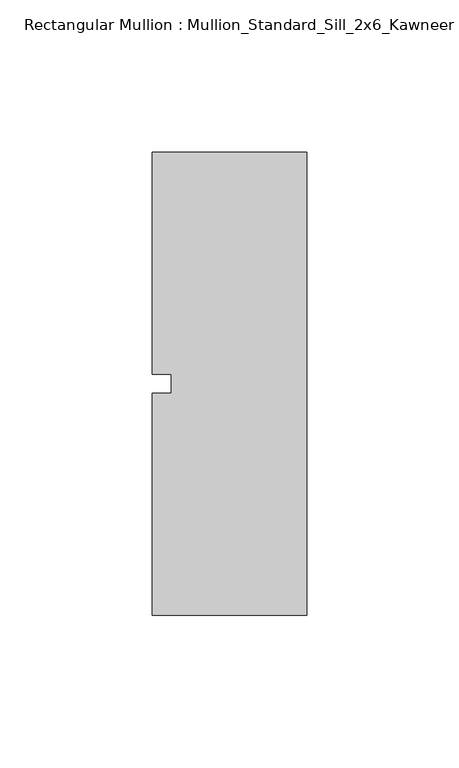
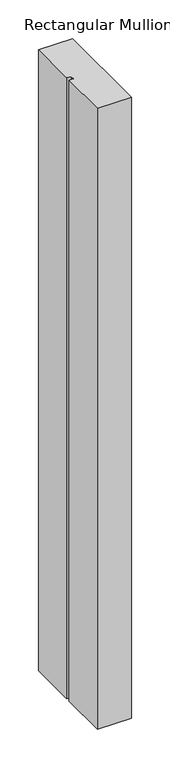
"""IFC4 building model written with IfcOpenShell, lengths in millimetres: member geometry, Rectangular Mullion : Mullion_Standard_Sill_2x6_Kawneer."""

from ifc_helpers import new_model, si_unit, frame, origin, place, context, project, spatial, polyline, outline, extrude, source, transform, mapped, element, save


def rectangular_mullion_mullion_standard_sill_2x6_kawneer_09c3f3be(model_context):
    return source(origin(), model_context, "Body", "SweptSolid", [
        extrude(outline(polyline([(-50.8, -76.2), (-50.8, -3.175), (-44.45, -3.175), (-44.45, 3.175), (-50.8, 3.175), (-50.8, 76.2), (0.0, 76.2), (0.0, -76.2), (-50.8, -76.2)])), frame((0.0, 0.0, -980.44), z_axis=(0.0, 0.0, 1.0), x_axis=(1.0, 0.0, 0.0)), (0.0, 0.0, 1.0), 980.44),
    ])


if __name__ == "__main__":
    model = new_model("IFC4")
    model_context = context("Model", 3, world=origin())
    ifc_project = project(units=[si_unit("LENGTHUNIT", "METRE", prefix="MILLI")], contexts=[model_context])
    site = spatial("IfcSite", under=ifc_project)
    building = spatial("IfcBuilding", under=site)
    placement = place(None, origin())
    rectangular_mullion_mullion_standard_sill_2x6_kawneer_shape = rectangular_mullion_mullion_standard_sill_2x6_kawneer_09c3f3be(model_context)
    element("IfcMember", 1, ObjectType="Rectangular Mullion : Mullion_Standard_Sill_2x6_Kawneer", at=placement, inside=building, context=model_context, shape_type="MappedRepresentation", body=[
        mapped(rectangular_mullion_mullion_standard_sill_2x6_kawneer_shape, transform((0.0, 0.0, 0.0), x_axis=(1.0, 0.0, 0.0), y_axis=(0.0, 1.0, 0.0), z_axis=(0.0, 0.0, 1.0))),
    ])
    save(model, "model.ifc")
